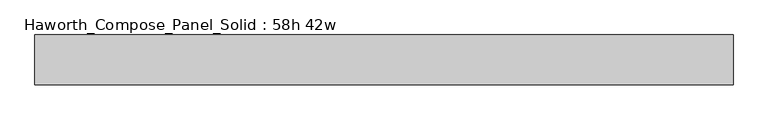
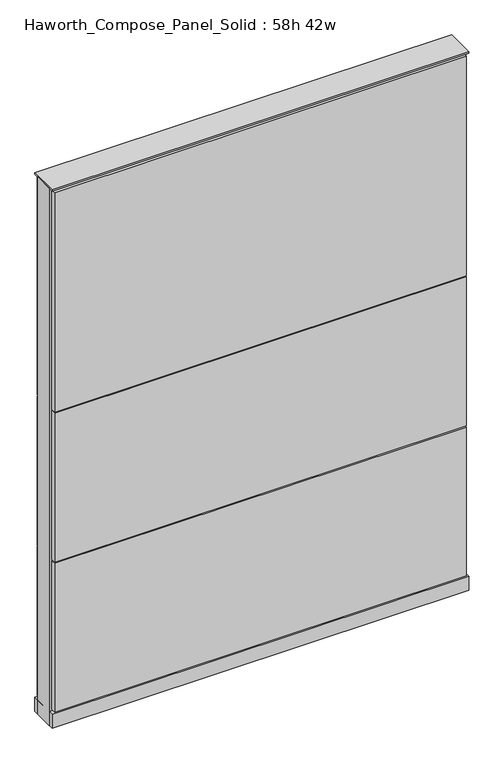
"""IFC4 building model written with IfcOpenShell, lengths in millimetres: furniture geometry, Haworth_Compose_Panel_Solid : 58h 42w."""

from ifc_helpers import new_model, si_unit, point, frame, frame_2d, origin, origin_with_axes, place, context, project, spatial, polyline, circle_curve, trimmed, segment, composite_curve, outline, extrude, source, transform, mapped, element, save


def haworth_compose_panel_solid_58h_42w_2baa98d9(model_context):
    return source(origin(), model_context, "Body", "SweptSolid", [
        extrude(outline(composite_curve([segment(trimmed(circle_curve(frame_2d((-454.7597098, 0.0)), 12.7), [point((-467.4597098, 0.0))], [point((-442.0597098, 0.0))], False, "CARTESIAN"), True, "CONTINUOUS"), segment(trimmed(circle_curve(frame_2d((-454.7597098, 0.0)), 12.7), [point((-442.0597098, 0.0))], [point((-467.4597098, 0.0))], False, "CARTESIAN"), True, "CONTINUOUS")], self_intersect=False)), origin_with_axes(), (0.0, 0.0, 1.0), 12.7),
        extrude(outline(composite_curve([segment(trimmed(circle_curve(frame_2d((459.6402902, 0.0)), 12.7), [point((446.9402902, 0.0))], [point((472.3402902, 0.0))], False, "CARTESIAN"), True, "CONTINUOUS"), segment(trimmed(circle_curve(frame_2d((459.6402902, 0.0)), 12.7), [point((472.3402902, 0.0))], [point((446.9402902, 0.0))], False, "CARTESIAN"), True, "CONTINUOUS")], self_intersect=False)), origin_with_axes(), (0.0, 0.0, 1.0), 12.7),
        extrude(outline(polyline([(529.4902902, 38.1), (529.4902902, 25.4), (-524.6097098, 25.4), (-524.6097098, 38.1), (529.4902902, 38.1)])), frame((0.0, 0.0, 866.775), z_axis=(0.0, 0.0, 1.0), x_axis=(1.0, 0.0, 0.0)), (0.0, 0.0, 1.0), 593.725),
        extrude(outline(polyline([(529.4902902, 38.1), (529.4902902, 25.4), (-524.6097098, 25.4), (-524.6097098, 38.1), (529.4902902, 38.1)])), frame((0.0, 0.0, 460.375), z_axis=(0.0, 0.0, 1.0), x_axis=(1.0, 0.0, 0.0)), (0.0, 0.0, 1.0), 403.225),
        extrude(outline(polyline([(529.4902902, 38.1), (529.4902902, 25.4), (-524.6097098, 25.4), (-524.6097098, 38.1), (529.4902902, 38.1)])), frame((0.0, 0.0, 53.975), z_axis=(0.0, 0.0, 1.0), x_axis=(1.0, 0.0, 0.0)), (0.0, 0.0, 1.0), 403.225),
        extrude(outline(polyline([(529.4902902, -38.1), (-524.6097098, -38.1), (-524.6097098, -25.4), (529.4902902, -25.4), (529.4902902, -38.1)])), frame((0.0, 0.0, 866.775), z_axis=(0.0, 0.0, 1.0), x_axis=(1.0, 0.0, 0.0)), (0.0, 0.0, 1.0), 593.725),
        extrude(outline(polyline([(529.4902902, -38.1), (-524.6097098, -38.1), (-524.6097098, -25.4), (529.4902902, -25.4), (529.4902902, -38.1)])), frame((0.0, 0.0, 460.375), z_axis=(0.0, 0.0, 1.0), x_axis=(1.0, 0.0, 0.0)), (0.0, 0.0, 1.0), 403.225),
        extrude(outline(polyline([(529.4902902, -38.1), (-524.6097098, -38.1), (-524.6097098, -25.4), (529.4902902, -25.4), (529.4902902, -38.1)])), frame((0.0, 0.0, 53.975), z_axis=(0.0, 0.0, 1.0), x_axis=(1.0, 0.0, 0.0)), (0.0, 0.0, 1.0), 403.225),
        extrude(outline(polyline([(535.8402902, 25.4), (535.8402902, -25.4), (-530.9597098, -25.4), (-530.9597098, 25.4), (535.8402902, 25.4)])), frame((0.0, 0.0, 12.7), z_axis=(0.0, 0.0, 1.0), x_axis=(1.0, 0.0, 0.0)), (0.0, 0.0, 1.0), 1454.15),
        extrude(outline(polyline([(-530.9597098, -38.1), (-530.9597098, 38.1), (535.8402902, 38.1), (535.8402902, -38.1), (-530.9597098, -38.1)])), frame((0.0, 0.0, 12.7), z_axis=(0.0, 0.0, 1.0), x_axis=(1.0, 0.0, 0.0)), (0.0, 0.0, 1.0), 38.1),
        extrude(outline(polyline([(-530.9597098, -38.1), (-530.9597098, 38.1), (535.8402902, 38.1), (535.8402902, -38.1), (-530.9597098, -38.1)])), frame((0.0, 0.0, 1466.85), z_axis=(0.0, 0.0, 1.0), x_axis=(1.0, 0.0, 0.0)), (0.0, 0.0, 1.0), 3.175),
    ])


if __name__ == "__main__":
    model = new_model("IFC4")
    model_context = context("Model", 3, world=origin())
    ifc_project = project(units=[si_unit("LENGTHUNIT", "METRE", prefix="MILLI")], contexts=[model_context])
    site = spatial("IfcSite", under=ifc_project)
    building = spatial("IfcBuilding", under=site)
    placement = place(None, origin())
    haworth_compose_panel_solid_58h_42w_shape = haworth_compose_panel_solid_58h_42w_2baa98d9(model_context)
    element("IfcFurniture", 1, ObjectType="Haworth_Compose_Panel_Solid : 58h 42w", at=placement, inside=building, context=model_context, shape_type="MappedRepresentation", body=[
        mapped(haworth_compose_panel_solid_58h_42w_shape, transform((0.0, 0.0, 0.0), x_axis=(1.0, 0.0, 0.0), y_axis=(0.0, 1.0, 0.0), z_axis=(0.0, 0.0, 1.0))),
    ])
    save(model, "model.ifc")
